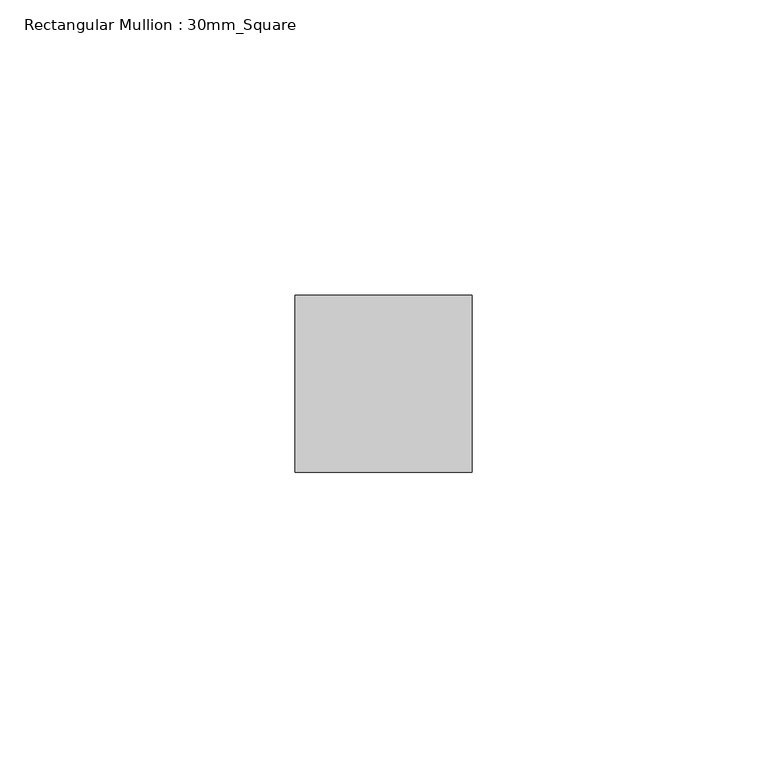
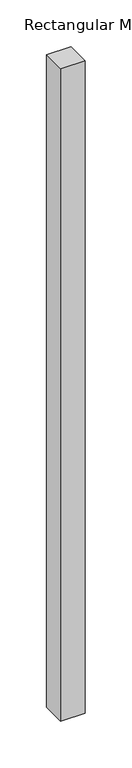
"""IFC4 building model written with IfcOpenShell, lengths in millimetres: member geometry, Rectangular Mullion : 30mm_Square."""

from ifc_helpers import new_model, si_unit, frame, origin, place, context, project, spatial, polyline, outline, extrude, source, transform, mapped, element, save


def rectangular_mullion_30mm_square_781546b4(model_context):
    return source(origin(), model_context, "Body", "SweptSolid", [
        extrude(outline(polyline([(0.0, 15.0), (0.0, -15.0), (-30.0, -15.0), (-30.0, 15.0), (0.0, 15.0)])), frame((0.0, 0.0, -850.0000003), z_axis=(0.0, 0.0, 1.0), x_axis=(1.0, 0.0, 0.0)), (0.0, 0.0, 1.0), 850.0000003),
    ])


if __name__ == "__main__":
    model = new_model("IFC4")
    model_context = context("Model", 3, world=origin())
    ifc_project = project(units=[si_unit("LENGTHUNIT", "METRE", prefix="MILLI")], contexts=[model_context])
    site = spatial("IfcSite", under=ifc_project)
    building = spatial("IfcBuilding", under=site)
    placement = place(None, origin())
    rectangular_mullion_30mm_square_shape = rectangular_mullion_30mm_square_781546b4(model_context)
    element("IfcMember", 1, ObjectType="Rectangular Mullion : 30mm_Square", at=placement, inside=building, context=model_context, shape_type="MappedRepresentation", body=[
        mapped(rectangular_mullion_30mm_square_shape, transform((0.0, 0.0, 0.0), x_axis=(1.0, 0.0, 0.0), y_axis=(0.0, 1.0, 0.0), z_axis=(0.0, 0.0, 1.0))),
    ])
    save(model, "model.ifc")
